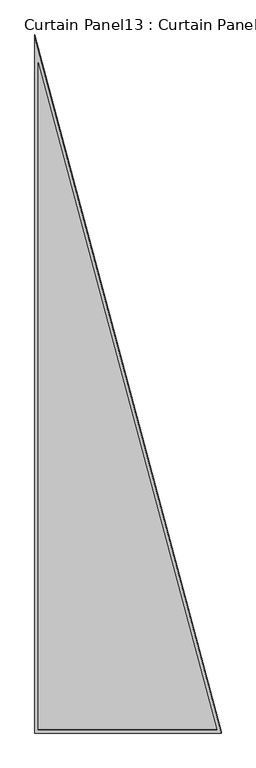
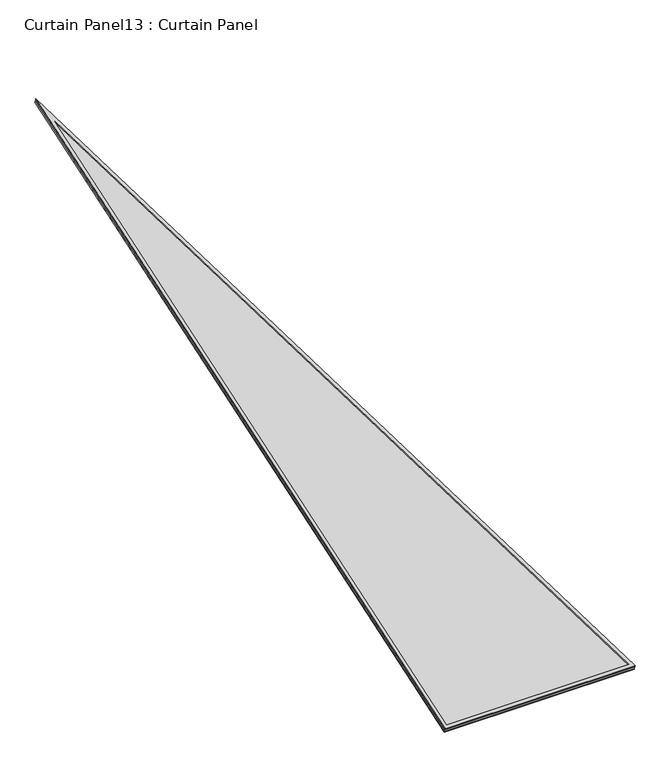
"""IFC4 building model written with IfcOpenShell, lengths in millimetres: plate geometry, Curtain Panel13 : Curtain Panel."""

from ifc_helpers import new_model, si_unit, frame, origin, place, context, project, spatial, polyline, outline, extrude, source, transform, mapped, element, save


def curtain_panel13_curtain_panel_3259b9d8(model_context):
    return source(origin(), model_context, "Body", "SweptSolid", [
        extrude(outline(polyline([(879.2796323, -16.6393293), (-16.6393293, -16.6393293), (-16.6393293, 3507.7389748), (879.2796323, -16.6393293)]), holes=[polyline([(857.8812738, 0.0), (0.0, 3374.7451256), (0.0, 0.0), (857.8812738, 0.0)])]), frame((13176.1233093, -5303.0046271, 903.9089601), z_axis=(0.0, -0.3161458239738031, 0.948710608132915), x_axis=(1.0, 0.0, 0.0)), (0.0, 0.0, 1.0), 4.8849226),
        extrude(outline(polyline([(885.6296323, -10.2893293), (-10.2893293, -10.2893293), (-10.2893293, 3514.0889747), (885.6296323, -10.2893293)]), holes=[polyline([(872.3974429, 0.0), (0.0, 3431.8490307), (0.0, 0.0), (872.3974429, 0.0)])]), frame((13169.7733093, -5303.4728649, 885.2284104), z_axis=(0.0, -0.3161458239738063, 0.9487106081329139), x_axis=(1.0, 0.0, 0.0)), (0.0, 0.0, 1.0), 4.7369625),
        extrude(outline(polyline([(147.6119219, 0.0), (1043.5308835, 0.0), (1043.5308835, -3524.378304), (147.6119219, 0.0)])), frame((14203.0148635, -5314.7320317, 886.4694884), z_axis=(0.0, -0.3161458239738058, 0.948710608132914), x_axis=(-1.0, 0.0, 0.0)), (0.0, 0.0, 1.0), 12.8374418),
    ])


if __name__ == "__main__":
    model = new_model("IFC4")
    model_context = context("Model", 3, world=origin())
    ifc_project = project(units=[si_unit("LENGTHUNIT", "METRE", prefix="MILLI")], contexts=[model_context])
    site = spatial("IfcSite", under=ifc_project)
    building = spatial("IfcBuilding", under=site)
    placement = place(None, origin())
    curtain_panel13_curtain_panel_shape = curtain_panel13_curtain_panel_3259b9d8(model_context)
    element("IfcPlate", 1, ObjectType="Curtain Panel13 : Curtain Panel", at=placement, inside=building, context=model_context, shape_type="MappedRepresentation", body=[
        mapped(curtain_panel13_curtain_panel_shape, transform((0.0, 0.0, 0.0), x_axis=(1.0, 0.0, 0.0), y_axis=(0.0, 1.0, 0.0), z_axis=(0.0, 0.0, 1.0))),
    ])
    save(model, "model.ifc")
